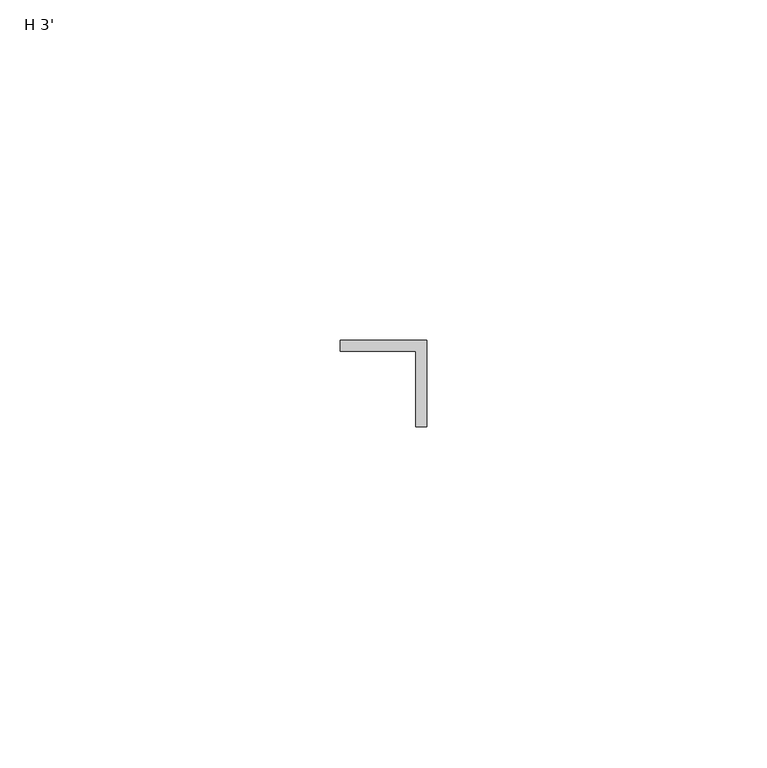
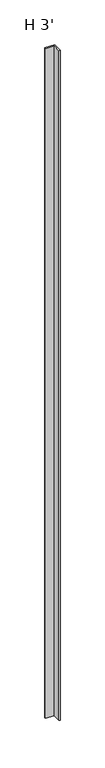
"""IFC4 building model written with IfcOpenShell, lengths in millimetres: proxy geometry, H 3'."""

from ifc_helpers import new_model, si_unit, origin, origin_with_axes, place, context, project, spatial, polyline, outline, extrude, source, transform, mapped, element, save


def h_3_af83adb0(model_context):
    return source(origin(), model_context, "Body", "SweptSolid", [
        extrude(outline(polyline([(12.7, 12.7), (12.7, 0.0), (11.1125, 0.0), (11.1125, 11.1125), (0.0, 11.1125), (0.0, 12.7), (12.7, 12.7)])), origin_with_axes(), (0.0, 0.0, 1.0), 914.4),
    ])


if __name__ == "__main__":
    model = new_model("IFC4")
    model_context = context("Model", 3, world=origin())
    ifc_project = project(units=[si_unit("LENGTHUNIT", "METRE", prefix="MILLI")], contexts=[model_context])
    site = spatial("IfcSite", under=ifc_project)
    building = spatial("IfcBuilding", under=site)
    placement = place(None, origin())
    h_3_shape = h_3_af83adb0(model_context)
    element("IfcBuildingElementProxy", 1, Name="H 3'", ObjectType="H 3'", at=placement, inside=building, context=model_context, shape_type="MappedRepresentation", body=[
        mapped(h_3_shape, transform((0.0, 0.0, 0.0), x_axis=(1.0, 0.0, 0.0), y_axis=(0.0, 1.0, 0.0), z_axis=(0.0, 0.0, 1.0))),
    ])
    save(model, "model.ifc")
